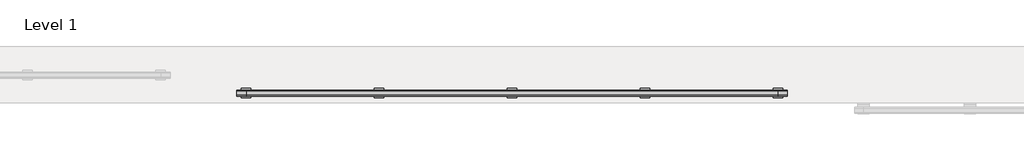
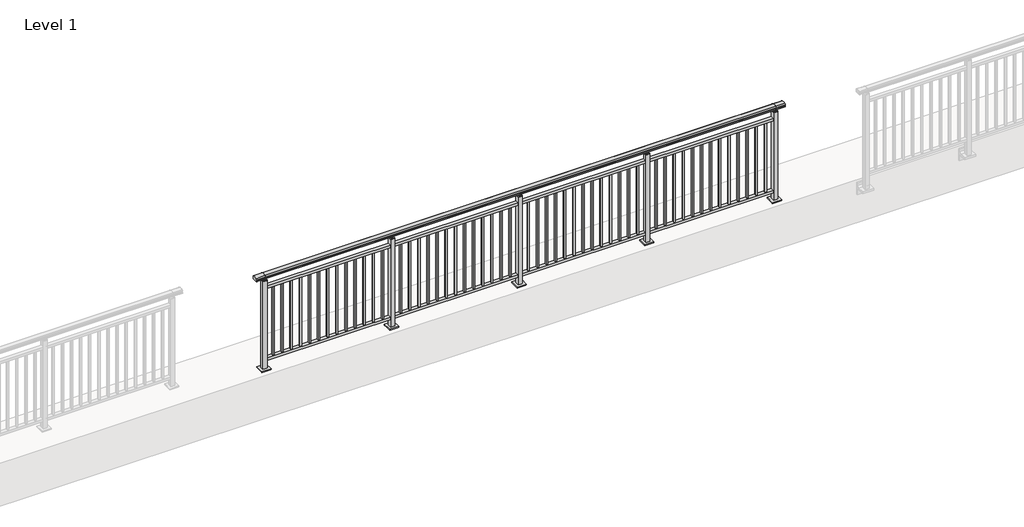
# One storey, part 9 of 64: 1 railing.
"""IFC4 building model written with IfcOpenShell, lengths in millimetres."""

from ifc_helpers import new_model, si_unit, frame, origin, origin_with_axes, place, context, project, spatial, polyline, circle_curve, outline, extrude, element, save
from ifc_brep_helpers import plane_surface, cylinder_surface, revolved_surface, advanced_brep

model = new_model("IFC4")

# Units and contexts
model_context = context("Model", 3, world=origin())
ifc_project = project(units=[si_unit("LENGTHUNIT", "METRE", prefix="MILLI")], contexts=[model_context])

# Site, building, storey
site = spatial("IfcSite", under=ifc_project)
building = spatial("IfcBuilding", under=site)
storey = spatial("IfcBuildingStorey", under=building, Name="Level 1", Elevation=0.0)

# Railing
placement = place(None, origin())
element("IfcRailing", 1, at=placement, inside=storey, context=model_context, shape_type="SolidModel", body=[
    advanced_brep(
    [(6400.0, 25.3633756, 1095.6691182), (6400.0, 30.1846828, 1081.1334092), (6400.0, 29.2413744, 1069.2539035), (6400.0, 31.1364177, 1061.4863007), (6400.0, 29.4894799, 1060.384124), (6400.0, 29.4894799, 1062.0), (6400.0, -29.1201142, 1062.0), (6400.0, -29.1201142, 1060.384124), (6400.0, -30.767052, 1061.4863007), (6400.0, -28.8720088, 1069.2539035), (6400.0, -29.8153172, 1081.1334092), (6400.0, -24.99401, 1095.6691182), (12200.0, 25.3633756, 1095.6691182), (12200.0, -24.99401, 1095.6691182), (12200.0, -29.8153172, 1081.1334092), (12200.0, -28.8720088, 1069.2539035), (12200.0, -30.767052, 1061.4863007), (12200.0, -29.1201142, 1060.384124), (12200.0, -29.1201142, 1062.0), (12200.0, 29.4894799, 1062.0), (12200.0, 29.4894799, 1060.384124), (12200.0, 31.1364177, 1061.4863007), (12200.0, 29.2413744, 1069.2539035), (12200.0, 30.1846828, 1081.1334092), (6500.0, 25.3633756, 1095.6691182), (6500.0, 30.1846828, 1081.1334092), (6500.0, 29.2413744, 1069.2539035), (6500.0, 31.1364177, 1061.4863007), (6500.0, 29.4894799, 1060.384124), (6500.0, 29.4894799, 1062.0), (6500.0, -29.1201142, 1062.0), (6500.0, -29.1201142, 1060.384124), (6500.0, -30.767052, 1061.4863007), (6500.0, -28.8720088, 1069.2539035), (6500.0, -29.8153172, 1081.1334092), (6500.0, -24.99401, 1095.6691182), (12100.0, 25.3633756, 1095.6691182), (12100.0, 30.1846828, 1081.1334092), (12100.0, 29.2413744, 1069.2539035), (12100.0, 31.1364177, 1061.4863007), (12100.0, 29.4894799, 1060.384124), (12100.0, 29.4894799, 1062.0), (12100.0, -29.1201142, 1062.0), (12100.0, -29.1201142, 1060.384124), (12100.0, -30.767052, 1061.4863007), (12100.0, -28.8720088, 1069.2539035), (12100.0, -29.8153172, 1081.1334092), (12100.0, -24.99401, 1095.6691182)],
    [
        (0, 1, circle_curve(frame((6400.0, 22.1223845, 1086.526686), z_axis=(-1.0, 0.0, 0.0), x_axis=(0.0, -1.0, 0.0)), 9.6999015)),
        (1, 2, circle_curve(frame((6400.0, 47.7252545, 1073.7633709), z_axis=(1.0, 0.0, 0.0), x_axis=(0.0, -1.0, 0.0)), 19.0260117)),
        (2, 3),
        (3, 4, circle_curve(frame((6400.0, 30.2772073, 1060.9886194), z_axis=(-1.0, 0.0, 0.0), x_axis=(0.0, -1.0, 0.0)), 0.9929396)),
        (4, 5),
        (5, 6),
        (6, 7),
        (7, 8, circle_curve(frame((6400.0, -29.9078416, 1060.9886194), z_axis=(-1.0, 0.0, 0.0), x_axis=(0.0, 1.0, 0.0)), 0.9929396)),
        (8, 9),
        (9, 10, circle_curve(frame((6400.0, -47.3558889, 1073.7633709), z_axis=(1.0, 0.0, 0.0), x_axis=(0.0, 1.0, 0.0)), 19.0260117)),
        (10, 11, circle_curve(frame((6400.0, -21.7530188, 1086.526686), z_axis=(-1.0, 0.0, 0.0), x_axis=(0.0, 1.0, 0.0)), 9.6999015)),
        (11, 0, circle_curve(frame((6400.0, 0.1846828, 1024.6431628), z_axis=(-1.0, 0.0, 0.0), x_axis=(0.0, 1.0, 0.0)), 75.3568372)),
        (12, 13, circle_curve(frame((12200.0, 0.1846828, 1024.6431628), z_axis=(1.0, 0.0, 0.0), x_axis=(0.0, 1.0, 0.0)), 75.3568372)),
        (13, 14, circle_curve(frame((12200.0, -21.7530188, 1086.526686), z_axis=(1.0, 0.0, 0.0), x_axis=(0.0, 1.0, 0.0)), 9.6999015)),
        (14, 15, circle_curve(frame((12200.0, -47.3558889, 1073.7633709), z_axis=(-1.0, 0.0, 0.0), x_axis=(0.0, 1.0, 0.0)), 19.0260117)),
        (15, 16),
        (16, 17, circle_curve(frame((12200.0, -29.9078416, 1060.9886194), z_axis=(1.0, 0.0, 0.0), x_axis=(0.0, 1.0, 0.0)), 0.9929396)),
        (17, 18),
        (18, 19),
        (19, 20),
        (20, 21, circle_curve(frame((12200.0, 30.2772073, 1060.9886194), z_axis=(1.0, 0.0, 0.0), x_axis=(0.0, -1.0, 0.0)), 0.9929396)),
        (21, 22),
        (22, 23, circle_curve(frame((12200.0, 47.7252545, 1073.7633709), z_axis=(-1.0, 0.0, 0.0), x_axis=(0.0, -1.0, 0.0)), 19.0260117)),
        (23, 12, circle_curve(frame((12200.0, 22.1223845, 1086.526686), z_axis=(1.0, 0.0, 0.0), x_axis=(0.0, -1.0, 0.0)), 9.6999015)),
        (0, 24),
        (24, 25, circle_curve(frame((6500.0, 22.1223845, 1086.526686), z_axis=(-1.0, 0.0, 0.0), x_axis=(0.0, -1.0, 0.0)), 9.6999015)),
        (25, 1),
        (25, 26, circle_curve(frame((6500.0, 47.7252545, 1073.7633709), z_axis=(1.0, 0.0, 0.0), x_axis=(0.0, -1.0, 0.0)), 19.0260117)),
        (26, 2),
        (26, 27),
        (27, 3),
        (27, 28, circle_curve(frame((6500.0, 30.2772073, 1060.9886194), z_axis=(-1.0, 0.0, 0.0), x_axis=(0.0, -1.0, 0.0)), 0.9929396)),
        (28, 4),
        (28, 29),
        (29, 5),
        (29, 30),
        (30, 6),
        (30, 31),
        (31, 7),
        (31, 32, circle_curve(frame((6500.0, -29.9078416, 1060.9886194), z_axis=(-1.0, 0.0, 0.0), x_axis=(0.0, 1.0, 0.0)), 0.9929396)),
        (32, 8),
        (32, 33),
        (33, 9),
        (33, 34, circle_curve(frame((6500.0, -47.3558889, 1073.7633709), z_axis=(1.0, 0.0, 0.0), x_axis=(0.0, 1.0, 0.0)), 19.0260117)),
        (34, 10),
        (34, 35, circle_curve(frame((6500.0, -21.7530188, 1086.526686), z_axis=(-1.0, 0.0, 0.0), x_axis=(0.0, 1.0, 0.0)), 9.6999015)),
        (35, 11),
        (35, 24, circle_curve(frame((6500.0, 0.1846828, 1024.6431628), z_axis=(-1.0, 0.0, 0.0), x_axis=(0.0, 1.0, 0.0)), 75.3568372)),
        (24, 36),
        (36, 37, circle_curve(frame((12100.0, 22.1223845, 1086.526686), z_axis=(-1.0, 0.0, 0.0), x_axis=(0.0, -1.0, 0.0)), 9.6999015)),
        (37, 25),
        (37, 38, circle_curve(frame((12100.0, 47.7252545, 1073.7633709), z_axis=(1.0, 0.0, 0.0), x_axis=(0.0, -1.0, 0.0)), 19.0260117)),
        (38, 26),
        (38, 39),
        (39, 27),
        (39, 40, circle_curve(frame((12100.0, 30.2772073, 1060.9886194), z_axis=(-1.0, 0.0, 0.0), x_axis=(0.0, -1.0, 0.0)), 0.9929396)),
        (40, 28),
        (40, 41),
        (41, 29),
        (41, 42),
        (42, 30),
        (42, 43),
        (43, 31),
        (43, 44, circle_curve(frame((12100.0, -29.9078416, 1060.9886194), z_axis=(-1.0, 0.0, 0.0), x_axis=(0.0, 1.0, 0.0)), 0.9929396)),
        (44, 32),
        (44, 45),
        (45, 33),
        (45, 46, circle_curve(frame((12100.0, -47.3558889, 1073.7633709), z_axis=(1.0, 0.0, 0.0), x_axis=(0.0, 1.0, 0.0)), 19.0260117)),
        (46, 34),
        (46, 47, circle_curve(frame((12100.0, -21.7530188, 1086.526686), z_axis=(-1.0, 0.0, 0.0), x_axis=(0.0, 1.0, 0.0)), 9.6999015)),
        (47, 35),
        (47, 36, circle_curve(frame((12100.0, 0.1846828, 1024.6431628), z_axis=(-1.0, 0.0, 0.0), x_axis=(0.0, 1.0, 0.0)), 75.3568372)),
        (36, 12),
        (23, 37),
        (22, 38),
        (21, 39),
        (20, 40),
        (19, 41),
        (18, 42),
        (17, 43),
        (16, 44),
        (15, 45),
        (14, 46),
        (13, 47),
    ],
    [
        plane_surface(frame((6400.0, 0.1846828, 1100.0), z_axis=(-1.0, 0.0, 0.0), x_axis=(0.0, 1.0, 0.0))),
        plane_surface(frame((12200.0, 0.1846828, 1100.0), z_axis=(1.0, 0.0, 0.0), x_axis=(0.0, 1.0, 0.0))),
        cylinder_surface(frame((6400.0, 22.1223845, 1086.526686), z_axis=(-1.0, 0.0, 0.0), x_axis=(0.0, -1.0, 0.0)), 9.6999015),
        revolved_surface(polyline([(6500.0, 28.699242799999997, 1073.7633709), (6400.0, 28.699242799999997, 1073.7633709)]), (6400.0, 47.7252545, 1073.7633709), (1.0, 0.0, 0.0)),
        plane_surface(frame((6400.0, 29.2413744, 1069.2539035), z_axis=(0.0, 0.9715057689301543, 0.2370159086125439), x_axis=(1.0, 0.0, 0.0))),
        cylinder_surface(frame((6400.0, 30.2772073, 1060.9886194), z_axis=(-1.0, 0.0, 0.0), x_axis=(0.0, -1.0, 0.0)), 0.9929396),
        plane_surface(frame((6400.0, 29.4894799, 1060.384124), z_axis=(0.0, -1.0, 0.0), x_axis=(1.0, 0.0, 0.0))),
        plane_surface(frame((6400.0, 29.4894799, 1062.0), z_axis=(0.0, 0.0, -1.0), x_axis=(1.0, 0.0, 0.0))),
        plane_surface(frame((6400.0, -29.1201142, 1062.0), z_axis=(0.0, 1.0, 0.0), x_axis=(1.0, 0.0, 0.0))),
        cylinder_surface(frame((6400.0, -29.9078416, 1060.9886194), z_axis=(-1.0, 0.0, 0.0), x_axis=(0.0, 1.0, 0.0)), 0.9929396),
        plane_surface(frame((6400.0, -30.767052, 1061.4863007), z_axis=(0.0, -0.9715057689301543, 0.2370159086125439), x_axis=(1.0, 0.0, 0.0))),
        revolved_surface(polyline([(6500.0, -28.329877199999995, 1073.7633709), (6400.0, -28.329877199999995, 1073.7633709)]), (6400.0, -47.3558889, 1073.7633709), (1.0, 0.0, 0.0)),
        cylinder_surface(frame((6400.0, -21.7530188, 1086.526686), z_axis=(-1.0, 0.0, 0.0), x_axis=(0.0, 1.0, 0.0)), 9.6999015),
        cylinder_surface(frame((6400.0, 0.1846828, 1024.6431628), z_axis=(-1.0, 0.0, 0.0), x_axis=(0.0, 1.0, 0.0)), 75.3568372),
        cylinder_surface(frame((6500.0, 22.1223845, 1086.526686), z_axis=(-1.0, 0.0, 0.0), x_axis=(0.0, -1.0, 0.0)), 9.6999015),
        revolved_surface(polyline([(12100.0, 28.699242799999997, 1073.7633709), (6500.0, 28.699242799999997, 1073.7633709)]), (6500.0, 47.7252545, 1073.7633709), (1.0, 0.0, 0.0)),
        plane_surface(frame((6500.0, 29.2413744, 1069.2539035), z_axis=(0.0, 0.9715057689301543, 0.2370159086125439), x_axis=(1.0, 0.0, 0.0))),
        cylinder_surface(frame((6500.0, 30.2772073, 1060.9886194), z_axis=(-1.0, 0.0, 0.0), x_axis=(0.0, -1.0, 0.0)), 0.9929396),
        plane_surface(frame((6500.0, 29.4894799, 1060.384124), z_axis=(0.0, -1.0, 0.0), x_axis=(1.0, 0.0, 0.0))),
        plane_surface(frame((6500.0, 29.4894799, 1062.0), z_axis=(0.0, 0.0, -1.0), x_axis=(1.0, 0.0, 0.0))),
        plane_surface(frame((6500.0, -29.1201142, 1062.0), z_axis=(0.0, 1.0, 0.0), x_axis=(1.0, 0.0, 0.0))),
        cylinder_surface(frame((6500.0, -29.9078416, 1060.9886194), z_axis=(-1.0, 0.0, 0.0), x_axis=(0.0, 1.0, 0.0)), 0.9929396),
        plane_surface(frame((6500.0, -30.767052, 1061.4863007), z_axis=(0.0, -0.9715057689301543, 0.2370159086125439), x_axis=(1.0, 0.0, 0.0))),
        revolved_surface(polyline([(12100.0, -28.329877199999995, 1073.7633709), (6500.0, -28.329877199999995, 1073.7633709)]), (6500.0, -47.3558889, 1073.7633709), (1.0, 0.0, 0.0)),
        cylinder_surface(frame((6500.0, -21.7530188, 1086.526686), z_axis=(-1.0, 0.0, 0.0), x_axis=(0.0, 1.0, 0.0)), 9.6999015),
        cylinder_surface(frame((6500.0, 0.1846828, 1024.6431628), z_axis=(-1.0, 0.0, 0.0), x_axis=(0.0, 1.0, 0.0)), 75.3568372),
        cylinder_surface(frame((12100.0, 22.1223845, 1086.526686), z_axis=(-1.0, 0.0, 0.0), x_axis=(0.0, -1.0, 0.0)), 9.6999015),
        revolved_surface(polyline([(12200.0, 28.699242799999997, 1073.7633709), (12100.0, 28.699242799999997, 1073.7633709)]), (12100.0, 47.7252545, 1073.7633709), (1.0, 0.0, 0.0)),
        plane_surface(frame((12100.0, 29.2413744, 1069.2539035), z_axis=(0.0, 0.9715057689301543, 0.2370159086125439), x_axis=(1.0, 0.0, 0.0))),
        cylinder_surface(frame((12100.0, 30.2772073, 1060.9886194), z_axis=(-1.0, 0.0, 0.0), x_axis=(0.0, -1.0, 0.0)), 0.9929396),
        plane_surface(frame((12100.0, 29.4894799, 1060.384124), z_axis=(0.0, -1.0, 0.0), x_axis=(1.0, 0.0, 0.0))),
        plane_surface(frame((12100.0, 29.4894799, 1062.0), z_axis=(0.0, 0.0, -1.0), x_axis=(1.0, 0.0, 0.0))),
        plane_surface(frame((12100.0, -29.1201142, 1062.0), z_axis=(0.0, 1.0, 0.0), x_axis=(1.0, 0.0, 0.0))),
        cylinder_surface(frame((12100.0, -29.9078416, 1060.9886194), z_axis=(-1.0, 0.0, 0.0), x_axis=(0.0, 1.0, 0.0)), 0.9929396),
        plane_surface(frame((12100.0, -30.767052, 1061.4863007), z_axis=(0.0, -0.9715057689301543, 0.2370159086125439), x_axis=(1.0, 0.0, 0.0))),
        revolved_surface(polyline([(12200.0, -28.329877199999995, 1073.7633709), (12100.0, -28.329877199999995, 1073.7633709)]), (12100.0, -47.3558889, 1073.7633709), (1.0, 0.0, 0.0)),
        cylinder_surface(frame((12100.0, -21.7530188, 1086.526686), z_axis=(-1.0, 0.0, 0.0), x_axis=(0.0, 1.0, 0.0)), 9.6999015),
        cylinder_surface(frame((12100.0, 0.1846828, 1024.6431628), z_axis=(-1.0, 0.0, 0.0), x_axis=(0.0, 1.0, 0.0)), 75.3568372),
    ],
    [
        (0, [[1, 2, 3, 4, 5, 6, 7, 8, 9, 10, 11, 12]]),
        (1, [[13, 14, 15, 16, 17, 18, 19, 20, 21, 22, 23, 24]]),
        (2, [[-1, 25, 26, 27]]),
        (3, [[-2, -27, 28, 29]]),
        (4, [[-3, -29, 30, 31]]),
        (5, [[-4, -31, 32, 33]]),
        (6, [[-5, -33, 34, 35]]),
        (7, [[-6, -35, 36, 37]]),
        (8, [[-7, -37, 38, 39]]),
        (9, [[-8, -39, 40, 41]]),
        (10, [[-9, -41, 42, 43]]),
        (11, [[-10, -43, 44, 45]]),
        (12, [[-11, -45, 46, 47]]),
        (13, [[-12, -47, 48, -25]]),
        (14, [[-26, 49, 50, 51]]),
        (15, [[-28, -51, 52, 53]]),
        (16, [[-30, -53, 54, 55]]),
        (17, [[-32, -55, 56, 57]]),
        (18, [[-34, -57, 58, 59]]),
        (19, [[-36, -59, 60, 61]]),
        (20, [[-38, -61, 62, 63]]),
        (21, [[-40, -63, 64, 65]]),
        (22, [[-42, -65, 66, 67]]),
        (23, [[-44, -67, 68, 69]]),
        (24, [[-46, -69, 70, 71]]),
        (25, [[-48, -71, 72, -49]]),
        (26, [[-50, 73, -24, 74]]),
        (27, [[-52, -74, -23, 75]]),
        (28, [[-54, -75, -22, 76]]),
        (29, [[-56, -76, -21, 77]]),
        (30, [[-58, -77, -20, 78]]),
        (31, [[-60, -78, -19, 79]]),
        (32, [[-62, -79, -18, 80]]),
        (33, [[-64, -80, -17, 81]]),
        (34, [[-66, -81, -16, 82]]),
        (35, [[-68, -82, -15, 83]]),
        (36, [[-70, -83, -14, 84]]),
        (37, [[-72, -84, -13, -73]]),
    ],
),
    extrude(outline(polyline([(6500.0, -17.3153172), (6500.0, 17.6846828), (12100.0, 17.6846828), (12100.0, -17.3153172), (6500.0, -17.3153172)])), frame((0.0, 0.0, 930.0), z_axis=(0.0, 0.0, 1.0), x_axis=(1.0, 0.0, 0.0)), (0.0, 0.0, 1.0), 30.0),
    extrude(outline(polyline([(6500.0, -17.3153172), (6500.0, 17.6846828), (12100.0, 17.6846828), (12100.0, -17.3153172), (6500.0, -17.3153172)])), frame((0.0, 0.0, 95.0), z_axis=(0.0, 0.0, 1.0), x_axis=(1.0, 0.0, 0.0)), (0.0, 0.0, 1.0), 30.0),
    extrude(outline(polyline([(12008.5, 8.6846828), (12008.5, -8.3153172), (11991.5, -8.3153172), (11991.5, 8.6846828), (12008.5, 8.6846828)])), frame((0.0, 0.0, 125.0), z_axis=(0.0, 0.0, 1.0), x_axis=(1.0, 0.0, 0.0)), (0.0, 0.0, 1.0), 805.0),
    extrude(outline(polyline([(11908.5, 8.6846828), (11908.5, -8.3153172), (11891.5, -8.3153172), (11891.5, 8.6846828), (11908.5, 8.6846828)])), frame((0.0, 0.0, 125.0), z_axis=(0.0, 0.0, 1.0), x_axis=(1.0, 0.0, 0.0)), (0.0, 0.0, 1.0), 805.0),
    extrude(outline(polyline([(11808.5, 8.6846828), (11808.5, -8.3153172), (11791.5, -8.3153172), (11791.5, 8.6846828), (11808.5, 8.6846828)])), frame((0.0, 0.0, 125.0), z_axis=(0.0, 0.0, 1.0), x_axis=(1.0, 0.0, 0.0)), (0.0, 0.0, 1.0), 805.0),
    extrude(outline(polyline([(11708.5, 8.6846828), (11708.5, -8.3153172), (11691.5, -8.3153172), (11691.5, 8.6846828), (11708.5, 8.6846828)])), frame((0.0, 0.0, 125.0), z_axis=(0.0, 0.0, 1.0), x_axis=(1.0, 0.0, 0.0)), (0.0, 0.0, 1.0), 805.0),
    extrude(outline(polyline([(11608.5, 8.6846828), (11608.5, -8.3153172), (11591.5, -8.3153172), (11591.5, 8.6846828), (11608.5, 8.6846828)])), frame((0.0, 0.0, 125.0), z_axis=(0.0, 0.0, 1.0), x_axis=(1.0, 0.0, 0.0)), (0.0, 0.0, 1.0), 805.0),
    extrude(outline(polyline([(11508.5, 8.6846828), (11508.5, -8.3153172), (11491.5, -8.3153172), (11491.5, 8.6846828), (11508.5, 8.6846828)])), frame((0.0, 0.0, 125.0), z_axis=(0.0, 0.0, 1.0), x_axis=(1.0, 0.0, 0.0)), (0.0, 0.0, 1.0), 805.0),
    extrude(outline(polyline([(11408.5, 8.6846828), (11408.5, -8.3153172), (11391.5, -8.3153172), (11391.5, 8.6846828), (11408.5, 8.6846828)])), frame((0.0, 0.0, 125.0), z_axis=(0.0, 0.0, 1.0), x_axis=(1.0, 0.0, 0.0)), (0.0, 0.0, 1.0), 805.0),
    extrude(outline(polyline([(11308.5, 8.6846828), (11308.5, -8.3153172), (11291.5, -8.3153172), (11291.5, 8.6846828), (11308.5, 8.6846828)])), frame((0.0, 0.0, 125.0), z_axis=(0.0, 0.0, 1.0), x_axis=(1.0, 0.0, 0.0)), (0.0, 0.0, 1.0), 805.0),
    extrude(outline(polyline([(11208.5, 8.6846828), (11208.5, -8.3153172), (11191.5, -8.3153172), (11191.5, 8.6846828), (11208.5, 8.6846828)])), frame((0.0, 0.0, 125.0), z_axis=(0.0, 0.0, 1.0), x_axis=(1.0, 0.0, 0.0)), (0.0, 0.0, 1.0), 805.0),
    extrude(outline(polyline([(11108.5, 8.6846828), (11108.5, -8.3153172), (11091.5, -8.3153172), (11091.5, 8.6846828), (11108.5, 8.6846828)])), frame((0.0, 0.0, 125.0), z_axis=(0.0, 0.0, 1.0), x_axis=(1.0, 0.0, 0.0)), (0.0, 0.0, 1.0), 805.0),
    extrude(outline(polyline([(11008.5, 8.6846828), (11008.5, -8.3153172), (10991.5, -8.3153172), (10991.5, 8.6846828), (11008.5, 8.6846828)])), frame((0.0, 0.0, 125.0), z_axis=(0.0, 0.0, 1.0), x_axis=(1.0, 0.0, 0.0)), (0.0, 0.0, 1.0), 805.0),
    extrude(outline(polyline([(10908.5, 8.6846828), (10908.5, -8.3153172), (10891.5, -8.3153172), (10891.5, 8.6846828), (10908.5, 8.6846828)])), frame((0.0, 0.0, 125.0), z_axis=(0.0, 0.0, 1.0), x_axis=(1.0, 0.0, 0.0)), (0.0, 0.0, 1.0), 805.0),
    extrude(outline(polyline([(10808.5, 8.6846828), (10808.5, -8.3153172), (10791.5, -8.3153172), (10791.5, 8.6846828), (10808.5, 8.6846828)])), frame((0.0, 0.0, 125.0), z_axis=(0.0, 0.0, 1.0), x_axis=(1.0, 0.0, 0.0)), (0.0, 0.0, 1.0), 805.0),
    extrude(outline(polyline([(10710.0, -9.8153172), (10690.0, -9.8153172), (10690.0, 10.1846828), (10710.0, 10.1846828), (10710.0, -9.8153172)])), frame((0.0, 0.0, 1035.0), z_axis=(0.0, 0.0, 1.0), x_axis=(1.0, 0.0, 0.0)), (0.0, 0.0, 1.0), 20.0),
    extrude(outline(polyline([(10722.5, -22.3153172), (10677.5, -22.3153172), (10677.5, 22.6846828), (10722.5, 22.6846828), (10722.5, -22.3153172)])), frame((0.0, 0.0, 1027.0), z_axis=(0.0, 0.0, 1.0), x_axis=(1.0, 0.0, 0.0)), (0.0, 0.0, 1.0), 8.0),
    extrude(outline(polyline([(10750.0, -49.8153172), (10650.0, -49.8153172), (10650.0, 50.1846828), (10750.0, 50.1846828), (10750.0, -49.8153172)])), origin_with_axes(), (0.0, 0.0, 1.0), 12.0),
    extrude(outline(polyline([(10722.5, -22.3153172), (10677.5, -22.3153172), (10677.5, 22.6846828), (10722.5, 22.6846828), (10722.5, -22.3153172)])), frame((0.0, 0.0, 12.0), z_axis=(0.0, 0.0, 1.0), x_axis=(1.0, 0.0, 0.0)), (0.0, 0.0, 1.0), 1015.0),
    extrude(outline(polyline([(10608.5, 8.6846828), (10608.5, -8.3153172), (10591.5, -8.3153172), (10591.5, 8.6846828), (10608.5, 8.6846828)])), frame((0.0, 0.0, 125.0), z_axis=(0.0, 0.0, 1.0), x_axis=(1.0, 0.0, 0.0)), (0.0, 0.0, 1.0), 805.0),
    extrude(outline(polyline([(10508.5, 8.6846828), (10508.5, -8.3153172), (10491.5, -8.3153172), (10491.5, 8.6846828), (10508.5, 8.6846828)])), frame((0.0, 0.0, 125.0), z_axis=(0.0, 0.0, 1.0), x_axis=(1.0, 0.0, 0.0)), (0.0, 0.0, 1.0), 805.0),
    extrude(outline(polyline([(10408.5, 8.6846828), (10408.5, -8.3153172), (10391.5, -8.3153172), (10391.5, 8.6846828), (10408.5, 8.6846828)])), frame((0.0, 0.0, 125.0), z_axis=(0.0, 0.0, 1.0), x_axis=(1.0, 0.0, 0.0)), (0.0, 0.0, 1.0), 805.0),
    extrude(outline(polyline([(10308.5, 8.6846828), (10308.5, -8.3153172), (10291.5, -8.3153172), (10291.5, 8.6846828), (10308.5, 8.6846828)])), frame((0.0, 0.0, 125.0), z_axis=(0.0, 0.0, 1.0), x_axis=(1.0, 0.0, 0.0)), (0.0, 0.0, 1.0), 805.0),
    extrude(outline(polyline([(10208.5, 8.6846828), (10208.5, -8.3153172), (10191.5, -8.3153172), (10191.5, 8.6846828), (10208.5, 8.6846828)])), frame((0.0, 0.0, 125.0), z_axis=(0.0, 0.0, 1.0), x_axis=(1.0, 0.0, 0.0)), (0.0, 0.0, 1.0), 805.0),
    extrude(outline(polyline([(10108.5, 8.6846828), (10108.5, -8.3153172), (10091.5, -8.3153172), (10091.5, 8.6846828), (10108.5, 8.6846828)])), frame((0.0, 0.0, 125.0), z_axis=(0.0, 0.0, 1.0), x_axis=(1.0, 0.0, 0.0)), (0.0, 0.0, 1.0), 805.0),
    extrude(outline(polyline([(10008.5, 8.6846828), (10008.5, -8.3153172), (9991.5, -8.3153172), (9991.5, 8.6846828), (10008.5, 8.6846828)])), frame((0.0, 0.0, 125.0), z_axis=(0.0, 0.0, 1.0), x_axis=(1.0, 0.0, 0.0)), (0.0, 0.0, 1.0), 805.0),
    extrude(outline(polyline([(9908.5, 8.6846828), (9908.5, -8.3153172), (9891.5, -8.3153172), (9891.5, 8.6846828), (9908.5, 8.6846828)])), frame((0.0, 0.0, 125.0), z_axis=(0.0, 0.0, 1.0), x_axis=(1.0, 0.0, 0.0)), (0.0, 0.0, 1.0), 805.0),
    extrude(outline(polyline([(9808.5, 8.6846828), (9808.5, -8.3153172), (9791.5, -8.3153172), (9791.5, 8.6846828), (9808.5, 8.6846828)])), frame((0.0, 0.0, 125.0), z_axis=(0.0, 0.0, 1.0), x_axis=(1.0, 0.0, 0.0)), (0.0, 0.0, 1.0), 805.0),
    extrude(outline(polyline([(9708.5, 8.6846828), (9708.5, -8.3153172), (9691.5, -8.3153172), (9691.5, 8.6846828), (9708.5, 8.6846828)])), frame((0.0, 0.0, 125.0), z_axis=(0.0, 0.0, 1.0), x_axis=(1.0, 0.0, 0.0)), (0.0, 0.0, 1.0), 805.0),
    extrude(outline(polyline([(9608.5, 8.6846828), (9608.5, -8.3153172), (9591.5, -8.3153172), (9591.5, 8.6846828), (9608.5, 8.6846828)])), frame((0.0, 0.0, 125.0), z_axis=(0.0, 0.0, 1.0), x_axis=(1.0, 0.0, 0.0)), (0.0, 0.0, 1.0), 805.0),
    extrude(outline(polyline([(9508.5, 8.6846828), (9508.5, -8.3153172), (9491.5, -8.3153172), (9491.5, 8.6846828), (9508.5, 8.6846828)])), frame((0.0, 0.0, 125.0), z_axis=(0.0, 0.0, 1.0), x_axis=(1.0, 0.0, 0.0)), (0.0, 0.0, 1.0), 805.0),
    extrude(outline(polyline([(9408.5, 8.6846828), (9408.5, -8.3153172), (9391.5, -8.3153172), (9391.5, 8.6846828), (9408.5, 8.6846828)])), frame((0.0, 0.0, 125.0), z_axis=(0.0, 0.0, 1.0), x_axis=(1.0, 0.0, 0.0)), (0.0, 0.0, 1.0), 805.0),
    extrude(outline(polyline([(9310.0, -9.8153172), (9290.0, -9.8153172), (9290.0, 10.1846828), (9310.0, 10.1846828), (9310.0, -9.8153172)])), frame((0.0, 0.0, 1035.0), z_axis=(0.0, 0.0, 1.0), x_axis=(1.0, 0.0, 0.0)), (0.0, 0.0, 1.0), 20.0),
    extrude(outline(polyline([(9322.5, -22.3153172), (9277.5, -22.3153172), (9277.5, 22.6846828), (9322.5, 22.6846828), (9322.5, -22.3153172)])), frame((0.0, 0.0, 1027.0), z_axis=(0.0, 0.0, 1.0), x_axis=(1.0, 0.0, 0.0)), (0.0, 0.0, 1.0), 8.0),
    extrude(outline(polyline([(9350.0, -49.8153172), (9250.0, -49.8153172), (9250.0, 50.1846828), (9350.0, 50.1846828), (9350.0, -49.8153172)])), origin_with_axes(), (0.0, 0.0, 1.0), 12.0),
    extrude(outline(polyline([(9322.5, -22.3153172), (9277.5, -22.3153172), (9277.5, 22.6846828), (9322.5, 22.6846828), (9322.5, -22.3153172)])), frame((0.0, 0.0, 12.0), z_axis=(0.0, 0.0, 1.0), x_axis=(1.0, 0.0, 0.0)), (0.0, 0.0, 1.0), 1015.0),
    extrude(outline(polyline([(9208.5, 8.6846828), (9208.5, -8.3153172), (9191.5, -8.3153172), (9191.5, 8.6846828), (9208.5, 8.6846828)])), frame((0.0, 0.0, 125.0), z_axis=(0.0, 0.0, 1.0), x_axis=(1.0, 0.0, 0.0)), (0.0, 0.0, 1.0), 805.0),
    extrude(outline(polyline([(9108.5, 8.6846828), (9108.5, -8.3153172), (9091.5, -8.3153172), (9091.5, 8.6846828), (9108.5, 8.6846828)])), frame((0.0, 0.0, 125.0), z_axis=(0.0, 0.0, 1.0), x_axis=(1.0, 0.0, 0.0)), (0.0, 0.0, 1.0), 805.0),
    extrude(outline(polyline([(9008.5, 8.6846828), (9008.5, -8.3153172), (8991.5, -8.3153172), (8991.5, 8.6846828), (9008.5, 8.6846828)])), frame((0.0, 0.0, 125.0), z_axis=(0.0, 0.0, 1.0), x_axis=(1.0, 0.0, 0.0)), (0.0, 0.0, 1.0), 805.0),
    extrude(outline(polyline([(8908.5, 8.6846828), (8908.5, -8.3153172), (8891.5, -8.3153172), (8891.5, 8.6846828), (8908.5, 8.6846828)])), frame((0.0, 0.0, 125.0), z_axis=(0.0, 0.0, 1.0), x_axis=(1.0, 0.0, 0.0)), (0.0, 0.0, 1.0), 805.0),
    extrude(outline(polyline([(8808.5, 8.6846828), (8808.5, -8.3153172), (8791.5, -8.3153172), (8791.5, 8.6846828), (8808.5, 8.6846828)])), frame((0.0, 0.0, 125.0), z_axis=(0.0, 0.0, 1.0), x_axis=(1.0, 0.0, 0.0)), (0.0, 0.0, 1.0), 805.0),
    extrude(outline(polyline([(8708.5, 8.6846828), (8708.5, -8.3153172), (8691.5, -8.3153172), (8691.5, 8.6846828), (8708.5, 8.6846828)])), frame((0.0, 0.0, 125.0), z_axis=(0.0, 0.0, 1.0), x_axis=(1.0, 0.0, 0.0)), (0.0, 0.0, 1.0), 805.0),
    extrude(outline(polyline([(8608.5, 8.6846828), (8608.5, -8.3153172), (8591.5, -8.3153172), (8591.5, 8.6846828), (8608.5, 8.6846828)])), frame((0.0, 0.0, 125.0), z_axis=(0.0, 0.0, 1.0), x_axis=(1.0, 0.0, 0.0)), (0.0, 0.0, 1.0), 805.0),
    extrude(outline(polyline([(8508.5, 8.6846828), (8508.5, -8.3153172), (8491.5, -8.3153172), (8491.5, 8.6846828), (8508.5, 8.6846828)])), frame((0.0, 0.0, 125.0), z_axis=(0.0, 0.0, 1.0), x_axis=(1.0, 0.0, 0.0)), (0.0, 0.0, 1.0), 805.0),
    extrude(outline(polyline([(8408.5, 8.6846828), (8408.5, -8.3153172), (8391.5, -8.3153172), (8391.5, 8.6846828), (8408.5, 8.6846828)])), frame((0.0, 0.0, 125.0), z_axis=(0.0, 0.0, 1.0), x_axis=(1.0, 0.0, 0.0)), (0.0, 0.0, 1.0), 805.0),
    extrude(outline(polyline([(8308.5, 8.6846828), (8308.5, -8.3153172), (8291.5, -8.3153172), (8291.5, 8.6846828), (8308.5, 8.6846828)])), frame((0.0, 0.0, 125.0), z_axis=(0.0, 0.0, 1.0), x_axis=(1.0, 0.0, 0.0)), (0.0, 0.0, 1.0), 805.0),
    extrude(outline(polyline([(8208.5, 8.6846828), (8208.5, -8.3153172), (8191.5, -8.3153172), (8191.5, 8.6846828), (8208.5, 8.6846828)])), frame((0.0, 0.0, 125.0), z_axis=(0.0, 0.0, 1.0), x_axis=(1.0, 0.0, 0.0)), (0.0, 0.0, 1.0), 805.0),
    extrude(outline(polyline([(8108.5, 8.6846828), (8108.5, -8.3153172), (8091.5, -8.3153172), (8091.5, 8.6846828), (8108.5, 8.6846828)])), frame((0.0, 0.0, 125.0), z_axis=(0.0, 0.0, 1.0), x_axis=(1.0, 0.0, 0.0)), (0.0, 0.0, 1.0), 805.0),
    extrude(outline(polyline([(8008.5, 8.6846828), (8008.5, -8.3153172), (7991.5, -8.3153172), (7991.5, 8.6846828), (8008.5, 8.6846828)])), frame((0.0, 0.0, 125.0), z_axis=(0.0, 0.0, 1.0), x_axis=(1.0, 0.0, 0.0)), (0.0, 0.0, 1.0), 805.0),
    extrude(outline(polyline([(7910.0, -9.8153172), (7890.0, -9.8153172), (7890.0, 10.1846828), (7910.0, 10.1846828), (7910.0, -9.8153172)])), frame((0.0, 0.0, 1035.0), z_axis=(0.0, 0.0, 1.0), x_axis=(1.0, 0.0, 0.0)), (0.0, 0.0, 1.0), 20.0),
    extrude(outline(polyline([(7922.5, -22.3153172), (7877.5, -22.3153172), (7877.5, 22.6846828), (7922.5, 22.6846828), (7922.5, -22.3153172)])), frame((0.0, 0.0, 1027.0), z_axis=(0.0, 0.0, 1.0), x_axis=(1.0, 0.0, 0.0)), (0.0, 0.0, 1.0), 8.0),
    extrude(outline(polyline([(7950.0, -49.8153172), (7850.0, -49.8153172), (7850.0, 50.1846828), (7950.0, 50.1846828), (7950.0, -49.8153172)])), origin_with_axes(), (0.0, 0.0, 1.0), 12.0),
    extrude(outline(polyline([(7922.5, -22.3153172), (7877.5, -22.3153172), (7877.5, 22.6846828), (7922.5, 22.6846828), (7922.5, -22.3153172)])), frame((0.0, 0.0, 12.0), z_axis=(0.0, 0.0, 1.0), x_axis=(1.0, 0.0, 0.0)), (0.0, 0.0, 1.0), 1015.0),
    extrude(outline(polyline([(7808.5, 8.6846828), (7808.5, -8.3153172), (7791.5, -8.3153172), (7791.5, 8.6846828), (7808.5, 8.6846828)])), frame((0.0, 0.0, 125.0), z_axis=(0.0, 0.0, 1.0), x_axis=(1.0, 0.0, 0.0)), (0.0, 0.0, 1.0), 805.0),
    extrude(outline(polyline([(7708.5, 8.6846828), (7708.5, -8.3153172), (7691.5, -8.3153172), (7691.5, 8.6846828), (7708.5, 8.6846828)])), frame((0.0, 0.0, 125.0), z_axis=(0.0, 0.0, 1.0), x_axis=(1.0, 0.0, 0.0)), (0.0, 0.0, 1.0), 805.0),
    extrude(outline(polyline([(7608.5, 8.6846828), (7608.5, -8.3153172), (7591.5, -8.3153172), (7591.5, 8.6846828), (7608.5, 8.6846828)])), frame((0.0, 0.0, 125.0), z_axis=(0.0, 0.0, 1.0), x_axis=(1.0, 0.0, 0.0)), (0.0, 0.0, 1.0), 805.0),
    extrude(outline(polyline([(7508.5, 8.6846828), (7508.5, -8.3153172), (7491.5, -8.3153172), (7491.5, 8.6846828), (7508.5, 8.6846828)])), frame((0.0, 0.0, 125.0), z_axis=(0.0, 0.0, 1.0), x_axis=(1.0, 0.0, 0.0)), (0.0, 0.0, 1.0), 805.0),
    extrude(outline(polyline([(7408.5, 8.6846828), (7408.5, -8.3153172), (7391.5, -8.3153172), (7391.5, 8.6846828), (7408.5, 8.6846828)])), frame((0.0, 0.0, 125.0), z_axis=(0.0, 0.0, 1.0), x_axis=(1.0, 0.0, 0.0)), (0.0, 0.0, 1.0), 805.0),
    extrude(outline(polyline([(7308.5, 8.6846828), (7308.5, -8.3153172), (7291.5, -8.3153172), (7291.5, 8.6846828), (7308.5, 8.6846828)])), frame((0.0, 0.0, 125.0), z_axis=(0.0, 0.0, 1.0), x_axis=(1.0, 0.0, 0.0)), (0.0, 0.0, 1.0), 805.0),
    extrude(outline(polyline([(7208.5, 8.6846828), (7208.5, -8.3153172), (7191.5, -8.3153172), (7191.5, 8.6846828), (7208.5, 8.6846828)])), frame((0.0, 0.0, 125.0), z_axis=(0.0, 0.0, 1.0), x_axis=(1.0, 0.0, 0.0)), (0.0, 0.0, 1.0), 805.0),
    extrude(outline(polyline([(7108.5, 8.6846828), (7108.5, -8.3153172), (7091.5, -8.3153172), (7091.5, 8.6846828), (7108.5, 8.6846828)])), frame((0.0, 0.0, 125.0), z_axis=(0.0, 0.0, 1.0), x_axis=(1.0, 0.0, 0.0)), (0.0, 0.0, 1.0), 805.0),
    extrude(outline(polyline([(7008.5, 8.6846828), (7008.5, -8.3153172), (6991.5, -8.3153172), (6991.5, 8.6846828), (7008.5, 8.6846828)])), frame((0.0, 0.0, 125.0), z_axis=(0.0, 0.0, 1.0), x_axis=(1.0, 0.0, 0.0)), (0.0, 0.0, 1.0), 805.0),
    extrude(outline(polyline([(6908.5, 8.6846828), (6908.5, -8.3153172), (6891.5, -8.3153172), (6891.5, 8.6846828), (6908.5, 8.6846828)])), frame((0.0, 0.0, 125.0), z_axis=(0.0, 0.0, 1.0), x_axis=(1.0, 0.0, 0.0)), (0.0, 0.0, 1.0), 805.0),
    extrude(outline(polyline([(6808.5, 8.6846828), (6808.5, -8.3153172), (6791.5, -8.3153172), (6791.5, 8.6846828), (6808.5, 8.6846828)])), frame((0.0, 0.0, 125.0), z_axis=(0.0, 0.0, 1.0), x_axis=(1.0, 0.0, 0.0)), (0.0, 0.0, 1.0), 805.0),
    extrude(outline(polyline([(6708.5, 8.6846828), (6708.5, -8.3153172), (6691.5, -8.3153172), (6691.5, 8.6846828), (6708.5, 8.6846828)])), frame((0.0, 0.0, 125.0), z_axis=(0.0, 0.0, 1.0), x_axis=(1.0, 0.0, 0.0)), (0.0, 0.0, 1.0), 805.0),
    extrude(outline(polyline([(6608.5, 8.6846828), (6608.5, -8.3153172), (6591.5, -8.3153172), (6591.5, 8.6846828), (6608.5, 8.6846828)])), frame((0.0, 0.0, 125.0), z_axis=(0.0, 0.0, 1.0), x_axis=(1.0, 0.0, 0.0)), (0.0, 0.0, 1.0), 805.0),
    extrude(outline(polyline([(12110.0, -9.8153172), (12090.0, -9.8153172), (12090.0, 10.1846828), (12110.0, 10.1846828), (12110.0, -9.8153172)])), frame((0.0, 0.0, 1035.0), z_axis=(0.0, 0.0, 1.0), x_axis=(1.0, 0.0, 0.0)), (0.0, 0.0, 1.0), 20.0),
    extrude(outline(polyline([(12122.5, -22.3153172), (12077.5, -22.3153172), (12077.5, 22.6846828), (12122.5, 22.6846828), (12122.5, -22.3153172)])), frame((0.0, 0.0, 1027.0), z_axis=(0.0, 0.0, 1.0), x_axis=(1.0, 0.0, 0.0)), (0.0, 0.0, 1.0), 8.0),
    extrude(outline(polyline([(12150.0, -49.8153172), (12050.0, -49.8153172), (12050.0, 50.1846828), (12150.0, 50.1846828), (12150.0, -49.8153172)])), origin_with_axes(), (0.0, 0.0, 1.0), 12.0),
    extrude(outline(polyline([(12122.5, -22.3153172), (12077.5, -22.3153172), (12077.5, 22.6846828), (12122.5, 22.6846828), (12122.5, -22.3153172)])), frame((0.0, 0.0, 12.0), z_axis=(0.0, 0.0, 1.0), x_axis=(1.0, 0.0, 0.0)), (0.0, 0.0, 1.0), 1015.0),
    extrude(outline(polyline([(6510.0, -9.8153172), (6490.0, -9.8153172), (6490.0, 10.1846828), (6510.0, 10.1846828), (6510.0, -9.8153172)])), frame((0.0, 0.0, 1035.0), z_axis=(0.0, 0.0, 1.0), x_axis=(1.0, 0.0, 0.0)), (0.0, 0.0, 1.0), 20.0),
    extrude(outline(polyline([(6522.5, -22.3153172), (6477.5, -22.3153172), (6477.5, 22.6846828), (6522.5, 22.6846828), (6522.5, -22.3153172)])), frame((0.0, 0.0, 1027.0), z_axis=(0.0, 0.0, 1.0), x_axis=(1.0, 0.0, 0.0)), (0.0, 0.0, 1.0), 8.0),
    extrude(outline(polyline([(6550.0, -49.8153172), (6450.0, -49.8153172), (6450.0, 50.1846828), (6550.0, 50.1846828), (6550.0, -49.8153172)])), origin_with_axes(), (0.0, 0.0, 1.0), 12.0),
    extrude(outline(polyline([(6522.5, -22.3153172), (6477.5, -22.3153172), (6477.5, 22.6846828), (6522.5, 22.6846828), (6522.5, -22.3153172)])), frame((0.0, 0.0, 12.0), z_axis=(0.0, 0.0, 1.0), x_axis=(1.0, 0.0, 0.0)), (0.0, 0.0, 1.0), 1015.0),
])

save(model, "model.ifc")
